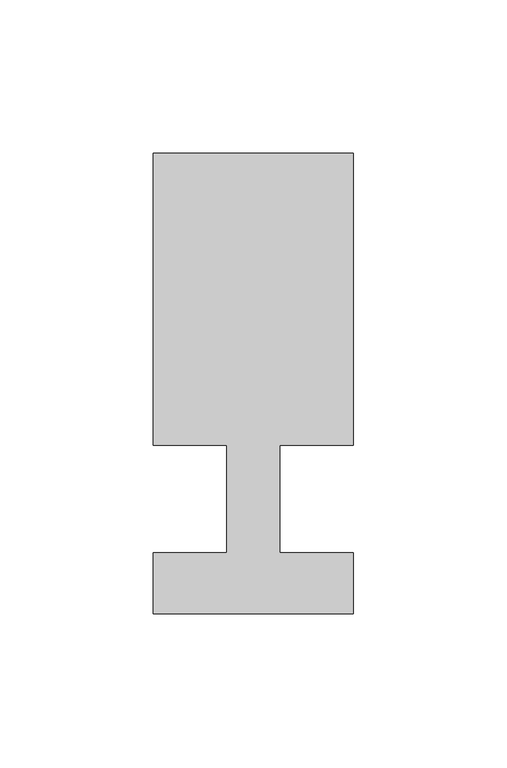
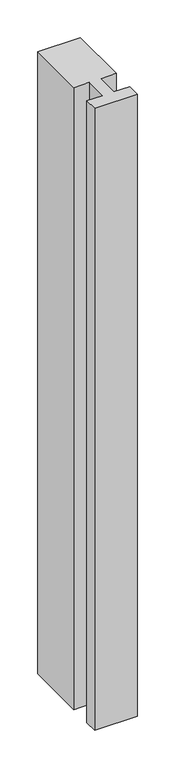
"""IFC4 building model written with IfcOpenShell, lengths in millimetres: member geometry."""

import ifcopenshell
import ifcopenshell.guid

model = None  # the IFC model being written
_history = None  # IfcOwnerHistory: only IFC2X3 demands one
_inside = {}  # id of a spatial element -> (the spatial element, [elements in it])
_under = {}  # id of a project, library or spatial element -> (it, [spatial elements below it])
_declared = {}  # id of a project -> (the project, [libraries it declares])
_typed = {}  # id of a type object -> (the type object, [elements of that type])
_made_of = {}  # id of a material, layer set ... -> (it, [elements and type objects made of it])


def new_model(schema):
    """Start an empty IFC model of exactly this schema.

    Asked for "IFC4X3", IfcOpenShell would pick the latest addendum, in which some entities
    have other attributes; the version numbers below select the first issue.
    IFC2X3 requires an IfcOwnerHistory on every rooted entity: one is made here for all.
    """
    global model, _history
    if schema == "IFC4X3":
        model = ifcopenshell.file(schema_version=(4, 3, 0, 0))
    else:
        model = ifcopenshell.file(schema=schema)
    _inside.clear()
    _under.clear()
    _declared.clear()
    _typed.clear()
    _made_of.clear()
    _history = None
    if model.schema == "IFC2X3":
        org = make("IfcOrganization", Name="unknown")
        user = make(
            "IfcPersonAndOrganization",
            ThePerson=make("IfcPerson", FamilyName="unknown"),
            TheOrganization=org,
        )
        app = make(
            "IfcApplication",
            ApplicationDeveloper=org,
            Version="unknown",
            ApplicationFullName="unknown",
            ApplicationIdentifier="unknown",
        )
        _history = make(
            "IfcOwnerHistory",
            OwningUser=user,
            OwningApplication=app,
            ChangeAction="ADDED",
            CreationDate=0,
        )
    return model


def make(cls, **values):
    """One entity of the class cls with the attributes given. An attribute that is None is left unset."""
    return model.create_entity(
        cls, **{name: value for name, value in values.items() if value is not None}
    )


def rooted(cls, **values):
    """An entity with a GlobalId (a new one), such as an element, a storey or a relation."""
    return make(cls, GlobalId=ifcopenshell.guid.new(), OwnerHistory=_history, **values)


def si_unit(unit_type, name, prefix=None):
    """IfcSIUnit, for example si_unit("LENGTHUNIT", "METRE", prefix="MILLI")."""
    return make("IfcSIUnit", UnitType=unit_type, Prefix=prefix, Name=name)


def assignment(units):
    """IfcUnitAssignment: the units of a project."""
    return None if units is None else make("IfcUnitAssignment", Units=units)


def point(xyz):
    """IfcCartesianPoint."""
    return None if xyz is None else make("IfcCartesianPoint", Coordinates=xyz)


def direction(xyz):
    """IfcDirection."""
    return None if xyz is None else make("IfcDirection", DirectionRatios=xyz)


def frame(location, z_axis=None, x_axis=None):
    """IfcAxis2Placement3D, a coordinate frame: its origin and axes. An axis left out is left unset."""
    return make(
        "IfcAxis2Placement3D",
        Location=point(location),
        Axis=direction(z_axis),
        RefDirection=direction(x_axis),
    )


def origin():
    """The frame at (0, 0, 0) with its axes left unset."""
    return frame((0.0, 0.0, 0.0))


def place(relative_to, where):
    """IfcLocalPlacement: puts the frame where relative to a parent placement (None: the world)."""
    return make(
        "IfcLocalPlacement", PlacementRelTo=relative_to, RelativePlacement=where
    )


def context(
    kind, dimensions, precision=None, world=None, true_north=None, identifier=None
):
    """IfcGeometricRepresentationContext, for example the 3D "Model" context."""
    return make(
        "IfcGeometricRepresentationContext",
        ContextIdentifier=identifier,
        ContextType=kind,
        CoordinateSpaceDimension=dimensions,
        Precision=precision,
        WorldCoordinateSystem=world,
        TrueNorth=true_north,
    )


def project(units=None, contexts=None):
    """IfcProject with its units and contexts."""
    return rooted(
        "IfcProject",
        Name="project",
        RepresentationContexts=contexts,
        UnitsInContext=assignment(units),
    )


def spatial(cls, under=None, at=None, **own):
    """A site, building, storey or space (cls), placed at a placement, below another one or the project."""
    s = rooted(cls, ObjectPlacement=at, **own)
    if under is not None:
        _under.setdefault(under.id(), (under, []))[1].append(s)
    return s


def polyline(points):
    """IfcPolyline through the points."""
    return make("IfcPolyline", Points=[point(p) for p in points])


def outline(outer, holes=None, kind="AREA"):
    """IfcArbitraryClosedProfileDef: a profile drawn as a closed curve; with holes, ...WithVoids."""
    if holes is None:
        return make("IfcArbitraryClosedProfileDef", ProfileType=kind, OuterCurve=outer)
    return make(
        "IfcArbitraryProfileDefWithVoids",
        ProfileType=kind,
        OuterCurve=outer,
        InnerCurves=holes,
    )


def extrude(swept, where, along, depth):
    """IfcExtrudedAreaSolid: the profile swept, set in the frame where, extruded along a direction by depth."""
    return make(
        "IfcExtrudedAreaSolid",
        SweptArea=swept,
        Position=where,
        ExtrudedDirection=direction(along),
        Depth=depth,
    )


def shape(context_of_items, identifier, shape_type, items):
    """IfcShapeRepresentation: the items that make up one representation, for example the "Body"."""
    return make(
        "IfcShapeRepresentation",
        ContextOfItems=context_of_items,
        RepresentationIdentifier=identifier,
        RepresentationType=shape_type,
        Items=items,
    )


def source(mapping_origin, context_of_items, identifier, shape_type, items):
    """IfcRepresentationMap: a shape defined once, which mapped items show again and again."""
    return make(
        "IfcRepresentationMap",
        MappingOrigin=mapping_origin,
        MappedRepresentation=shape(context_of_items, identifier, shape_type, items),
    )


def transform(
    local_origin,
    x_axis=None,
    y_axis=None,
    z_axis=None,
    scale=None,
    scale2=None,
    scale3=None,
    uniform=True,
):
    """IfcCartesianTransformationOperator3D, or its non-uniform kind. x_axis, y_axis, z_axis: its Axis1, 2, 3."""
    if uniform:
        return make(
            "IfcCartesianTransformationOperator3D",
            Axis1=direction(x_axis),
            Axis2=direction(y_axis),
            LocalOrigin=point(local_origin),
            Scale=scale,
            Axis3=direction(z_axis),
        )
    return make(
        "IfcCartesianTransformationOperator3DnonUniform",
        Axis1=direction(x_axis),
        Axis2=direction(y_axis),
        LocalOrigin=point(local_origin),
        Scale=scale,
        Axis3=direction(z_axis),
        Scale2=scale2,
        Scale3=scale3,
    )


def mapped(mapping_source, mapping_target):
    """IfcMappedItem: shows the shape of a source again, moved by a transform."""
    return make(
        "IfcMappedItem", MappingSource=mapping_source, MappingTarget=mapping_target
    )


def made_of(thing, what):
    """Note that an element or type object is made of a material, layer set ...; save() writes the relation."""
    if what is not None:
        _made_of.setdefault(what.id(), (what, []))[1].append(thing)
    return thing


def element(
    cls,
    number,
    at=None,
    inside=None,
    cuts=None,
    type_object=None,
    material=None,
    context=None,
    identifier="Body",
    shape_type=None,
    held_by="IfcProductDefinitionShape",
    body=None,
    shapes=None,
    **own,
):
    """One element of the class cls, such as IfcWall. Its Tag is "e" and its number.

    at: its placement. inside: the storey or other place that contains it. cuts: it is an
    opening in that element (IfcRelVoidsElement). A single representation is given by context,
    identifier, shape_type and body (its items); several are given by shapes. held_by: the class
    of the entity that holds the representations. save() writes the other relations.
    """
    e = rooted(cls, Tag="e%d" % number, ObjectPlacement=at, **own)
    if body is not None:
        shapes = [shape(context, identifier, shape_type, body)]
    if shapes is not None:
        e.Representation = make(held_by, Representations=shapes)
    if inside is not None:
        _inside.setdefault(inside.id(), (inside, []))[1].append(e)
    if cuts is not None:
        rooted(
            "IfcRelVoidsElement", RelatingBuildingElement=cuts, RelatedOpeningElement=e
        )
    if type_object is not None:
        _typed.setdefault(type_object.id(), (type_object, []))[1].append(e)
    return made_of(e, material)


def aggregate(whole, parts):
    """IfcRelAggregates: a whole, such as a stair, and the parts it consists of."""
    return rooted("IfcRelAggregates", RelatingObject=whole, RelatedObjects=parts)


def save(model, path):
    """Write the relations noted so far, then the file.

    IfcRelAggregates (storeys below a building ...), IfcRelContainedInSpatialStructure (elements
    in a storey), IfcRelDefinesByType, IfcRelAssociatesMaterial and IfcRelDeclares: one each for
    every whole, place, type object, material and project.
    """
    for whole, parts in _under.values():
        aggregate(whole, parts)
    for where, things in _inside.values():
        rooted(
            "IfcRelContainedInSpatialStructure",
            RelatedElements=things,
            RelatingStructure=where,
        )
    for kind, things in _typed.values():
        rooted("IfcRelDefinesByType", RelatedObjects=things, RelatingType=kind)
    for what, things in _made_of.values():
        rooted("IfcRelAssociatesMaterial", RelatedObjects=things, RelatingMaterial=what)
    for by, libraries in _declared.values():
        rooted("IfcRelDeclares", RelatingContext=by, RelatedDefinitions=libraries)
    model.write(path)


def member_59ce9dfc(model_context):
    return source(origin(), model_context, "Body", "SweptSolid", [
        extrude(outline(polyline([(-65.0, -37.0), (-65.0, -17.0), (-41.1875, -17.0), (-41.1875, 18.0), (-65.0, 18.0), (-65.0, 113.0), (0.0, 113.0), (0.0, 18.0), (-23.8125, 18.0), (-23.8125, -17.0), (0.0, -17.0), (0.0, -37.0), (-65.0, -37.0)])), frame((0.0, 0.0, -1004.0982143), z_axis=(0.0, 0.0, 1.0), x_axis=(1.0, 0.0, 0.0)), (0.0, 0.0, 1.0), 1004.0982143),
    ])


if __name__ == "__main__":
    model = new_model("IFC4")
    model_context = context("Model", 3, world=origin())
    ifc_project = project(units=[si_unit("LENGTHUNIT", "METRE", prefix="MILLI")], contexts=[model_context])
    site = spatial("IfcSite", under=ifc_project)
    building = spatial("IfcBuilding", under=site)
    placement = place(None, origin())
    member_shape = member_59ce9dfc(model_context)
    element("IfcMember", 1, at=placement, inside=building, context=model_context, shape_type="MappedRepresentation", body=[
        mapped(member_shape, transform((0.0, 0.0, 0.0), x_axis=(1.0, 0.0, 0.0), y_axis=(0.0, 1.0, 0.0), z_axis=(0.0, 0.0, 1.0))),
    ])
    save(model, "model.ifc")
